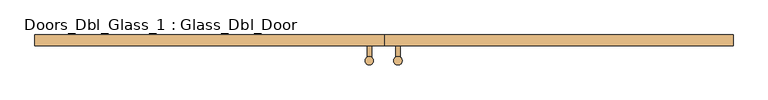
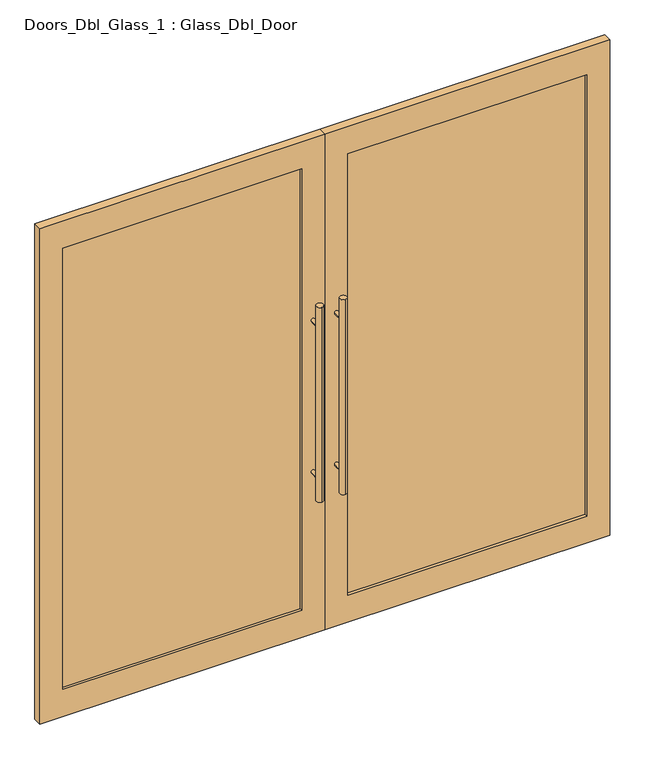
"""IFC4 building model written with IfcOpenShell, lengths in millimetres: door geometry, Doors_Dbl_Glass_1 : Glass_Dbl_Door."""

import ifcopenshell
import ifcopenshell.guid

model = None  # the IFC model being written
_history = None  # IfcOwnerHistory: only IFC2X3 demands one
_inside = {}  # id of a spatial element -> (the spatial element, [elements in it])
_under = {}  # id of a project, library or spatial element -> (it, [spatial elements below it])
_declared = {}  # id of a project -> (the project, [libraries it declares])
_typed = {}  # id of a type object -> (the type object, [elements of that type])
_made_of = {}  # id of a material, layer set ... -> (it, [elements and type objects made of it])


def new_model(schema):
    """Start an empty IFC model of exactly this schema.

    Asked for "IFC4X3", IfcOpenShell would pick the latest addendum, in which some entities
    have other attributes; the version numbers below select the first issue.
    IFC2X3 requires an IfcOwnerHistory on every rooted entity: one is made here for all.
    """
    global model, _history
    if schema == "IFC4X3":
        model = ifcopenshell.file(schema_version=(4, 3, 0, 0))
    else:
        model = ifcopenshell.file(schema=schema)
    _inside.clear()
    _under.clear()
    _declared.clear()
    _typed.clear()
    _made_of.clear()
    _history = None
    if model.schema == "IFC2X3":
        org = make("IfcOrganization", Name="unknown")
        user = make(
            "IfcPersonAndOrganization",
            ThePerson=make("IfcPerson", FamilyName="unknown"),
            TheOrganization=org,
        )
        app = make(
            "IfcApplication",
            ApplicationDeveloper=org,
            Version="unknown",
            ApplicationFullName="unknown",
            ApplicationIdentifier="unknown",
        )
        _history = make(
            "IfcOwnerHistory",
            OwningUser=user,
            OwningApplication=app,
            ChangeAction="ADDED",
            CreationDate=0,
        )
    return model


def make(cls, **values):
    """One entity of the class cls with the attributes given. An attribute that is None is left unset."""
    return model.create_entity(
        cls, **{name: value for name, value in values.items() if value is not None}
    )


def rooted(cls, **values):
    """An entity with a GlobalId (a new one), such as an element, a storey or a relation."""
    return make(cls, GlobalId=ifcopenshell.guid.new(), OwnerHistory=_history, **values)


def si_unit(unit_type, name, prefix=None):
    """IfcSIUnit, for example si_unit("LENGTHUNIT", "METRE", prefix="MILLI")."""
    return make("IfcSIUnit", UnitType=unit_type, Prefix=prefix, Name=name)


def assignment(units):
    """IfcUnitAssignment: the units of a project."""
    return None if units is None else make("IfcUnitAssignment", Units=units)


def point(xyz):
    """IfcCartesianPoint."""
    return None if xyz is None else make("IfcCartesianPoint", Coordinates=xyz)


def direction(xyz):
    """IfcDirection."""
    return None if xyz is None else make("IfcDirection", DirectionRatios=xyz)


def frame(location, z_axis=None, x_axis=None):
    """IfcAxis2Placement3D, a coordinate frame: its origin and axes. An axis left out is left unset."""
    return make(
        "IfcAxis2Placement3D",
        Location=point(location),
        Axis=direction(z_axis),
        RefDirection=direction(x_axis),
    )


def frame_2d(location, x_axis=None):
    """IfcAxis2Placement2D, a coordinate frame in the plane: its origin and x axis."""
    return make(
        "IfcAxis2Placement2D", Location=point(location), RefDirection=direction(x_axis)
    )


def origin():
    """The frame at (0, 0, 0) with its axes left unset."""
    return frame((0.0, 0.0, 0.0))


def place(relative_to, where):
    """IfcLocalPlacement: puts the frame where relative to a parent placement (None: the world)."""
    return make(
        "IfcLocalPlacement", PlacementRelTo=relative_to, RelativePlacement=where
    )


def context(
    kind, dimensions, precision=None, world=None, true_north=None, identifier=None
):
    """IfcGeometricRepresentationContext, for example the 3D "Model" context."""
    return make(
        "IfcGeometricRepresentationContext",
        ContextIdentifier=identifier,
        ContextType=kind,
        CoordinateSpaceDimension=dimensions,
        Precision=precision,
        WorldCoordinateSystem=world,
        TrueNorth=true_north,
    )


def project(units=None, contexts=None):
    """IfcProject with its units and contexts."""
    return rooted(
        "IfcProject",
        Name="project",
        RepresentationContexts=contexts,
        UnitsInContext=assignment(units),
    )


def spatial(cls, under=None, at=None, **own):
    """A site, building, storey or space (cls), placed at a placement, below another one or the project."""
    s = rooted(cls, ObjectPlacement=at, **own)
    if under is not None:
        _under.setdefault(under.id(), (under, []))[1].append(s)
    return s


def polyline(points):
    """IfcPolyline through the points."""
    return make("IfcPolyline", Points=[point(p) for p in points])


def circle_curve(where, radius):
    """IfcCircle in the frame where."""
    return make("IfcCircle", Position=where, Radius=radius)


def trimmed(basis, trim1, trim2, sense, master):
    """IfcTrimmedCurve: the piece of a basis curve between two trims."""
    return make(
        "IfcTrimmedCurve",
        BasisCurve=basis,
        Trim1=trim1,
        Trim2=trim2,
        SenseAgreement=sense,
        MasterRepresentation=master,
    )


def segment(curve, same_sense, transition):
    """IfcCompositeCurveSegment."""
    return make(
        "IfcCompositeCurveSegment",
        Transition=transition,
        SameSense=same_sense,
        ParentCurve=curve,
    )


def composite_curve(segments, self_intersect=None):
    """IfcCompositeCurve: segments joined end to end."""
    return make("IfcCompositeCurve", Segments=segments, SelfIntersect=self_intersect)


def outline(outer, holes=None, kind="AREA"):
    """IfcArbitraryClosedProfileDef: a profile drawn as a closed curve; with holes, ...WithVoids."""
    if holes is None:
        return make("IfcArbitraryClosedProfileDef", ProfileType=kind, OuterCurve=outer)
    return make(
        "IfcArbitraryProfileDefWithVoids",
        ProfileType=kind,
        OuterCurve=outer,
        InnerCurves=holes,
    )


def extrude(swept, where, along, depth):
    """IfcExtrudedAreaSolid: the profile swept, set in the frame where, extruded along a direction by depth."""
    return make(
        "IfcExtrudedAreaSolid",
        SweptArea=swept,
        Position=where,
        ExtrudedDirection=direction(along),
        Depth=depth,
    )


def shape(context_of_items, identifier, shape_type, items):
    """IfcShapeRepresentation: the items that make up one representation, for example the "Body"."""
    return make(
        "IfcShapeRepresentation",
        ContextOfItems=context_of_items,
        RepresentationIdentifier=identifier,
        RepresentationType=shape_type,
        Items=items,
    )


def source(mapping_origin, context_of_items, identifier, shape_type, items):
    """IfcRepresentationMap: a shape defined once, which mapped items show again and again."""
    return make(
        "IfcRepresentationMap",
        MappingOrigin=mapping_origin,
        MappedRepresentation=shape(context_of_items, identifier, shape_type, items),
    )


def transform(
    local_origin,
    x_axis=None,
    y_axis=None,
    z_axis=None,
    scale=None,
    scale2=None,
    scale3=None,
    uniform=True,
):
    """IfcCartesianTransformationOperator3D, or its non-uniform kind. x_axis, y_axis, z_axis: its Axis1, 2, 3."""
    if uniform:
        return make(
            "IfcCartesianTransformationOperator3D",
            Axis1=direction(x_axis),
            Axis2=direction(y_axis),
            LocalOrigin=point(local_origin),
            Scale=scale,
            Axis3=direction(z_axis),
        )
    return make(
        "IfcCartesianTransformationOperator3DnonUniform",
        Axis1=direction(x_axis),
        Axis2=direction(y_axis),
        LocalOrigin=point(local_origin),
        Scale=scale,
        Axis3=direction(z_axis),
        Scale2=scale2,
        Scale3=scale3,
    )


def mapped(mapping_source, mapping_target):
    """IfcMappedItem: shows the shape of a source again, moved by a transform."""
    return make(
        "IfcMappedItem", MappingSource=mapping_source, MappingTarget=mapping_target
    )


def made_of(thing, what):
    """Note that an element or type object is made of a material, layer set ...; save() writes the relation."""
    if what is not None:
        _made_of.setdefault(what.id(), (what, []))[1].append(thing)
    return thing


def element(
    cls,
    number,
    at=None,
    inside=None,
    cuts=None,
    type_object=None,
    material=None,
    context=None,
    identifier="Body",
    shape_type=None,
    held_by="IfcProductDefinitionShape",
    body=None,
    shapes=None,
    **own,
):
    """One element of the class cls, such as IfcWall. Its Tag is "e" and its number.

    at: its placement. inside: the storey or other place that contains it. cuts: it is an
    opening in that element (IfcRelVoidsElement). A single representation is given by context,
    identifier, shape_type and body (its items); several are given by shapes. held_by: the class
    of the entity that holds the representations. save() writes the other relations.
    """
    e = rooted(cls, Tag="e%d" % number, ObjectPlacement=at, **own)
    if body is not None:
        shapes = [shape(context, identifier, shape_type, body)]
    if shapes is not None:
        e.Representation = make(held_by, Representations=shapes)
    if inside is not None:
        _inside.setdefault(inside.id(), (inside, []))[1].append(e)
    if cuts is not None:
        rooted(
            "IfcRelVoidsElement", RelatingBuildingElement=cuts, RelatedOpeningElement=e
        )
    if type_object is not None:
        _typed.setdefault(type_object.id(), (type_object, []))[1].append(e)
    return made_of(e, material)


def aggregate(whole, parts):
    """IfcRelAggregates: a whole, such as a stair, and the parts it consists of."""
    return rooted("IfcRelAggregates", RelatingObject=whole, RelatedObjects=parts)


def save(model, path):
    """Write the relations noted so far, then the file.

    IfcRelAggregates (storeys below a building ...), IfcRelContainedInSpatialStructure (elements
    in a storey), IfcRelDefinesByType, IfcRelAssociatesMaterial and IfcRelDeclares: one each for
    every whole, place, type object, material and project.
    """
    for whole, parts in _under.values():
        aggregate(whole, parts)
    for where, things in _inside.values():
        rooted(
            "IfcRelContainedInSpatialStructure",
            RelatedElements=things,
            RelatingStructure=where,
        )
    for kind, things in _typed.values():
        rooted("IfcRelDefinesByType", RelatedObjects=things, RelatingType=kind)
    for what, things in _made_of.values():
        rooted("IfcRelAssociatesMaterial", RelatedObjects=things, RelatingMaterial=what)
    for by, libraries in _declared.values():
        rooted("IfcRelDeclares", RelatingContext=by, RelatedDefinitions=libraries)
    model.write(path)


def doors_dbl_glass_1_glass_dbl_door_ca8a009d(model_context):
    return source(origin(), model_context, "Body", "SweptSolid", [
        extrude(outline(composite_curve([segment(trimmed(circle_curve(frame_2d((49.6069979, -116.0715804)), 15.0), [point((49.6069979, -101.0715804))], [point((49.6069979, -131.0715804))], False, "CARTESIAN"), True, "CONTINUOUS"), segment(trimmed(circle_curve(frame_2d((49.6069979, -116.0715804)), 15.0), [point((49.6069979, -131.0715804))], [point((49.6069979, -101.0715804))], False, "CARTESIAN"), True, "CONTINUOUS")], self_intersect=False)), frame((0.0, 0.0, 650.0), z_axis=(0.0, 0.0, 1.0), x_axis=(1.0, 0.0, 0.0)), (0.0, 0.0, 1.0), 900.0),
        extrude(outline(composite_curve([segment(trimmed(circle_curve(frame_2d((-52.537897, -116.0715804)), 15.0), [point((-52.537897, -101.0715804))], [point((-52.537897, -131.0715804))], False, "CARTESIAN"), True, "CONTINUOUS"), segment(trimmed(circle_curve(frame_2d((-52.537897, -116.0715804)), 15.0), [point((-52.537897, -131.0715804))], [point((-52.537897, -101.0715804))], False, "CARTESIAN"), True, "CONTINUOUS")], self_intersect=False)), frame((0.0, 0.0, 650.0), z_axis=(0.0, 0.0, 1.0), x_axis=(1.0, 0.0, 0.0)), (0.0, 0.0, 1.0), 900.0),
        extrude(outline(composite_curve([segment(trimmed(circle_curve(frame_2d((750.0, 49.6069979)), 8.0), [point((750.0, 57.6069979))], [point((750.0, 41.6069979))], False, "CARTESIAN"), True, "CONTINUOUS"), segment(trimmed(circle_curve(frame_2d((750.0, 49.6069979)), 8.0), [point((750.0, 41.6069979))], [point((750.0, 57.6069979))], False, "CARTESIAN"), True, "CONTINUOUS")], self_intersect=False)), frame((0.0, -116.0715804, 0.0), z_axis=(0.0, 1.0, 0.0), x_axis=(0.0, 0.0, 1.0)), (0.0, 0.0, 1.0), 53.4927248),
        extrude(outline(composite_curve([segment(trimmed(circle_curve(frame_2d((750.0, -52.537897)), 8.0), [point((750.0, -44.537897))], [point((750.0, -60.537897))], False, "CARTESIAN"), True, "CONTINUOUS"), segment(trimmed(circle_curve(frame_2d((750.0, -52.537897)), 8.0), [point((750.0, -60.537897))], [point((750.0, -44.537897))], False, "CARTESIAN"), True, "CONTINUOUS")], self_intersect=False)), frame((0.0, -116.0715804, 0.0), z_axis=(0.0, 1.0, 0.0), x_axis=(0.0, 0.0, 1.0)), (0.0, 0.0, 1.0), 53.4927248),
        extrude(outline(composite_curve([segment(trimmed(circle_curve(frame_2d((1450.0, 49.6069979)), 8.0), [point((1450.0, 57.6069979))], [point((1450.0, 41.6069979))], False, "CARTESIAN"), True, "CONTINUOUS"), segment(trimmed(circle_curve(frame_2d((1450.0, 49.6069979)), 8.0), [point((1450.0, 41.6069979))], [point((1450.0, 57.6069979))], False, "CARTESIAN"), True, "CONTINUOUS")], self_intersect=False)), frame((0.0, -116.0715804, 0.0), z_axis=(0.0, 1.0, 0.0), x_axis=(0.0, 0.0, 1.0)), (0.0, 0.0, 1.0), 53.4927248),
        extrude(outline(composite_curve([segment(trimmed(circle_curve(frame_2d((1450.0, -52.537897)), 8.0), [point((1450.0, -44.537897))], [point((1450.0, -60.537897))], False, "CARTESIAN"), True, "CONTINUOUS"), segment(trimmed(circle_curve(frame_2d((1450.0, -52.537897)), 8.0), [point((1450.0, -60.537897))], [point((1450.0, -44.537897))], False, "CARTESIAN"), True, "CONTINUOUS")], self_intersect=False)), frame((0.0, -116.0715804, 0.0), z_axis=(0.0, 1.0, 0.0), x_axis=(0.0, 0.0, 1.0)), (0.0, 0.0, 1.0), 53.4927248),
        extrude(outline(polyline([(2290.0, -1245.0000002), (0.0, -1245.0000002), (0.0, 0.0), (2290.0, 0.0), (2290.0, -1245.0000002)]), holes=[polyline([(2165.0, -1145.0000002), (2165.0, -100.0), (125.0, -100.0), (125.0, -1145.0000002), (2165.0, -1145.0000002)])]), frame((0.0, -62.5788556, 0.0), z_axis=(0.0, 1.0, 0.0), x_axis=(0.0, 0.0, 1.0)), (0.0, 0.0, 1.0), 38.5435966),
        extrude(outline(polyline([(2290.0, 0.0), (0.0, 0.0), (0.0, 1245.0000002), (2290.0, 1245.0000002), (2290.0, 0.0)]), holes=[polyline([(2165.0, 100.0), (2165.0, 1145.0000002), (125.0, 1145.0000002), (125.0, 100.0), (2165.0, 100.0)])]), frame((0.0, -62.5788556, 0.0), z_axis=(0.0, 1.0, 0.0), x_axis=(0.0, 0.0, 1.0)), (0.0, 0.0, 1.0), 38.5435966),
        extrude(outline(polyline([(-100.0, -38.0), (-100.0, -50.0), (-1145.0000002, -50.0), (-1145.0000002, -38.0), (-100.0, -38.0)])), frame((0.0, 0.0, 125.0), z_axis=(0.0, 0.0, 1.0), x_axis=(1.0, 0.0, 0.0)), (0.0, 0.0, 1.0), 2040.0),
        extrude(outline(polyline([(1145.0000002, -38.0), (1145.0000002, -50.0), (100.0, -50.0), (100.0, -38.0), (1145.0000002, -38.0)])), frame((0.0, 0.0, 125.0), z_axis=(0.0, 0.0, 1.0), x_axis=(1.0, 0.0, 0.0)), (0.0, 0.0, 1.0), 2040.0),
    ])


if __name__ == "__main__":
    model = new_model("IFC4")
    model_context = context("Model", 3, world=origin())
    ifc_project = project(units=[si_unit("LENGTHUNIT", "METRE", prefix="MILLI")], contexts=[model_context])
    site = spatial("IfcSite", under=ifc_project)
    building = spatial("IfcBuilding", under=site)
    placement = place(None, origin())
    doors_dbl_glass_1_glass_dbl_door_shape = doors_dbl_glass_1_glass_dbl_door_ca8a009d(model_context)
    element("IfcDoor", 1, ObjectType="Doors_Dbl_Glass_1 : Glass_Dbl_Door", at=placement, inside=building, context=model_context, shape_type="MappedRepresentation", body=[
        mapped(doors_dbl_glass_1_glass_dbl_door_shape, transform((0.0, 0.0, 0.0), x_axis=(1.0, 0.0, 0.0), y_axis=(0.0, 1.0, 0.0), z_axis=(0.0, 0.0, 1.0))),
    ])
    save(model, "model.ifc")
